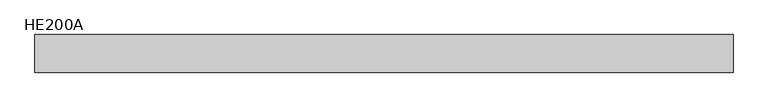
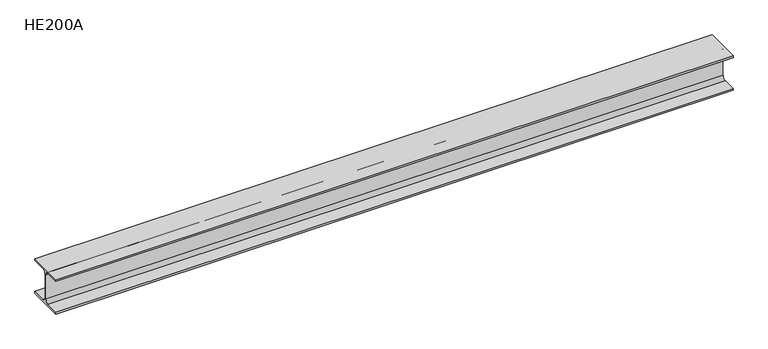
"""IFC4 building model written with IfcOpenShell, lengths in millimetres: beam geometry, HE200A."""

from ifc_helpers import new_model, si_unit, point, frame, frame_2d, origin, place, context, project, spatial, polyline, circle_curve, trimmed, segment, composite_curve, outline, extrude, source, transform, mapped, element, save


def he200a_1fe9cb68(model_context):
    return source(origin(), model_context, "Body", "SweptSolid", [
        extrude(outline(composite_curve([segment(polyline([(100.0, -90.0), (100.0, -100.0), (-100.0, -100.0), (-100.0, -90.0), (-24.0, -90.0)]), True, "CONTINUOUS"), segment(trimmed(circle_curve(frame_2d((-24.0, -70.0)), 20.0), [point((-24.0, -90.0))], [point((-4.0, -70.0))], True, "CARTESIAN"), True, "CONTINUOUS"), segment(polyline([(-4.0, -70.0), (-4.0, 70.0)]), True, "CONTINUOUS"), segment(trimmed(circle_curve(frame_2d((-24.0, 70.0)), 20.0), [point((-4.0, 70.0))], [point((-24.0, 90.0))], True, "CARTESIAN"), True, "CONTINUOUS"), segment(polyline([(-24.0, 90.0), (-100.0, 90.0), (-100.0, 100.0), (100.0, 100.0), (100.0, 90.0), (24.0, 90.0)]), True, "CONTINUOUS"), segment(trimmed(circle_curve(frame_2d((24.0, 70.0)), 20.0), [point((24.0, 90.0))], [point((4.0, 70.0))], True, "CARTESIAN"), True, "CONTINUOUS"), segment(polyline([(4.0, 70.0), (4.0, -70.0)]), True, "CONTINUOUS"), segment(trimmed(circle_curve(frame_2d((24.0, -70.0)), 20.0), [point((4.0, -70.0))], [point((24.0, -90.0))], True, "CARTESIAN"), True, "CONTINUOUS"), segment(polyline([(24.0, -90.0), (100.0, -90.0)]), True, "CONTINUOUS")], self_intersect=False)), frame((-1859.0, 0.0, 0.0), z_axis=(1.0, 0.0, 0.0), x_axis=(0.0, 1.0, 0.0)), (0.0, 0.0, 1.0), 3712.0),
    ])


if __name__ == "__main__":
    model = new_model("IFC4")
    model_context = context("Model", 3, world=origin())
    ifc_project = project(units=[si_unit("LENGTHUNIT", "METRE", prefix="MILLI")], contexts=[model_context])
    site = spatial("IfcSite", under=ifc_project)
    building = spatial("IfcBuilding", under=site)
    placement = place(None, origin())
    he200a_shape = he200a_1fe9cb68(model_context)
    element("IfcBeam", 1, ObjectType="HE200A", at=placement, inside=building, context=model_context, shape_type="MappedRepresentation", body=[
        mapped(he200a_shape, transform((0.0, 0.0, 0.0), x_axis=(1.0, 0.0, 0.0), y_axis=(0.0, 1.0, 0.0), z_axis=(0.0, 0.0, 1.0))),
    ])
    save(model, "model.ifc")
